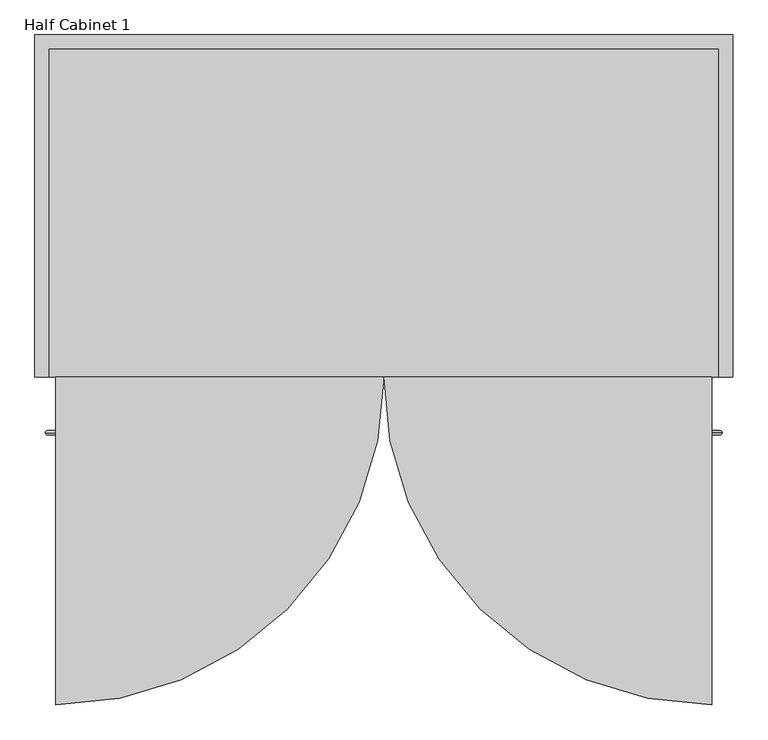
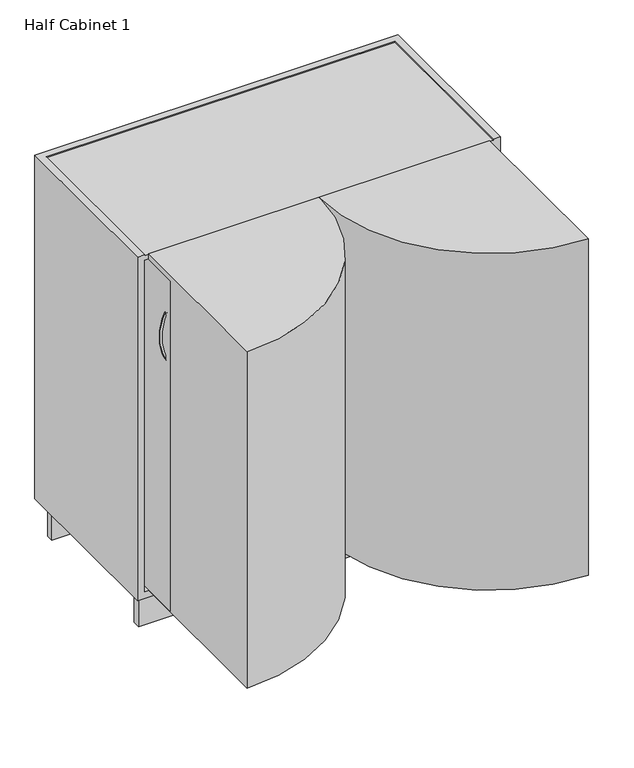
"""IFC4 building model written with IfcOpenShell, lengths in millimetres: furniture geometry, Half Cabinet 1."""

from ifc_helpers import new_model, si_unit, point, frame, frame_2d, origin, place, context, project, spatial, polyline, circle_curve, ellipse_curve, trimmed, segment, composite_curve, outline, extrude, faceted_brep, source, transform, mapped, element, save
from ifc_brep_helpers import plane_surface, revolved_surface, advanced_brep


def half_cabinet_1_f4ea37a7(model_context):
    return source(origin(), model_context, "Body", "SolidModel", [
        advanced_brep(
        [(463.9190238, -273.6958795, 828.1481519), (458.7228713, -273.6958795, 831.1481519), (463.9190238, -273.6958795, 992.6642581), (458.7228713, -273.6958795, 989.6642581)],
        [
            (0, 1, circle_curve(frame((461.3209475, -273.6958795, 829.6481519), z_axis=(-0.4999999999999887, 0.0, -0.8660254037844453), x_axis=(-0.8660254037844453, 0.0, 0.4999999999999887)), 3.0)),
            (1, 0, circle_curve(frame((461.3209475, -273.6958795, 829.6481519), z_axis=(-0.4999999999999887, 0.0, -0.8660254037844453), x_axis=(-0.8660254037844453, 0.0, 0.4999999999999887)), 3.0)),
            (2, 3, circle_curve(frame((461.3209475, -273.6958795, 991.1642581), z_axis=(-0.5000000000000103, 0.0, 0.8660254037844328), x_axis=(-0.8660254037844328, 0.0, -0.5000000000000103)), 3.0)),
            (3, 2, circle_curve(frame((461.3209475, -273.6958795, 991.1642581), z_axis=(-0.5000000000000103, 0.0, 0.8660254037844328), x_axis=(-0.8660254037844328, 0.0, -0.5000000000000103)), 3.0)),
            (3, 1, circle_curve(frame((321.4438964, -273.6958795, 910.406205), z_axis=(0.0, 1.0, 0.0), x_axis=(0.8660254037844453, 0.0, -0.4999999999999887)), 158.5161063)),
            (0, 2, circle_curve(frame((321.4438964, -273.6958795, 910.406205), z_axis=(0.0, -1.0, 0.0), x_axis=(0.8660254037844453, 0.0, -0.4999999999999887)), 164.5161063)),
        ],
        [
            plane_surface(frame((461.3209475, -298.6958795, 829.6481519), z_axis=(-0.4999999999999887, 0.0, -0.8660254037844453), x_axis=(0.0, -1.0, 0.0))),
            plane_surface(frame((461.3209475, -298.6958795, 991.1642581), z_axis=(-0.5000000000000103, 0.0, 0.8660254037844328), x_axis=(0.0, -1.0, 0.0))),
            revolved_surface(trimmed(ellipse_curve(frame((461.3209475, -273.6958795, 829.6481519), z_axis=(-0.4999999999999887, 0.0, -0.8660254037844453), x_axis=(-0.8660254037844453, 0.0, 0.4999999999999887)), 3.0, 3.0), [point((463.9190238, -273.6958795, 828.1481519))], [point((458.7228713, -273.6958795, 831.1481519))], True, "CARTESIAN"), (321.4438964, -298.6958795, 910.406205), (0.0, -1.0, 0.0)),
            revolved_surface(trimmed(ellipse_curve(frame((461.3209475, -273.6958795, 829.6481519), z_axis=(-0.4999999999999887, 0.0, -0.8660254037844453), x_axis=(-0.8660254037844453, 0.0, 0.4999999999999887)), 3.0, 3.0), [point((458.7228713, -273.6958795, 831.1481519))], [point((463.9190238, -273.6958795, 828.1481519))], True, "CARTESIAN"), (321.4438964, -298.6958795, 910.406205), (0.0, -1.0, 0.0)),
        ],
        [
            (0, [[1, 2]]),
            (1, [[3, 4]]),
            (2, [[5, -1, 6, -4]]),
            (3, [[-6, -2, -5, -3]]),
        ],
    ),
        advanced_brep(
        [(-458.7228713, -273.6958795, 831.1481519), (-463.9190238, -273.6958795, 828.1481519), (-458.7228713, -273.6958795, 989.6642581), (-463.9190238, -273.6958795, 992.6642581)],
        [
            (0, 1, circle_curve(frame((-461.3209475, -273.6958795, 829.6481519), z_axis=(0.4999999999999887, 0.0, -0.8660254037844453), x_axis=(-0.8660254037844453, 0.0, -0.4999999999999887)), 3.0)),
            (1, 0, circle_curve(frame((-461.3209475, -273.6958795, 829.6481519), z_axis=(0.4999999999999887, 0.0, -0.8660254037844453), x_axis=(-0.8660254037844453, 0.0, -0.4999999999999887)), 3.0)),
            (2, 3, circle_curve(frame((-461.3209475, -273.6958795, 991.1642581), z_axis=(0.5000000000000103, 0.0, 0.8660254037844328), x_axis=(-0.8660254037844328, 0.0, 0.5000000000000103)), 3.0)),
            (3, 2, circle_curve(frame((-461.3209475, -273.6958795, 991.1642581), z_axis=(0.5000000000000103, 0.0, 0.8660254037844328), x_axis=(-0.8660254037844328, 0.0, 0.5000000000000103)), 3.0)),
            (2, 0, circle_curve(frame((-321.4438964, -273.6958795, 910.406205), z_axis=(0.0, -1.0, 0.0), x_axis=(-0.8660254037844453, 0.0, -0.4999999999999887)), 158.5161063)),
            (1, 3, circle_curve(frame((-321.4438964, -273.6958795, 910.406205), z_axis=(0.0, 1.0, 0.0), x_axis=(-0.8660254037844453, 0.0, -0.4999999999999887)), 164.5161063)),
        ],
        [
            plane_surface(frame((-461.3209475, -298.6958795, 829.6481519), z_axis=(0.4999999999999887, 0.0, -0.8660254037844453), x_axis=(0.0, -1.0, 0.0))),
            plane_surface(frame((-461.3209475, -298.6958795, 991.1642581), z_axis=(0.5000000000000103, 0.0, 0.8660254037844328), x_axis=(0.0, -1.0, 0.0))),
            revolved_surface(trimmed(ellipse_curve(frame((-461.3209475, -273.6958795, 829.6481519), z_axis=(0.4999999999999887, 0.0, -0.8660254037844453), x_axis=(-0.8660254037844453, 0.0, -0.4999999999999887)), 3.0, 3.0), [point((-463.9190238, -273.6958795, 828.1481519))], [point((-458.7228713, -273.6958795, 831.1481519))], True, "CARTESIAN"), (-321.4438964, -298.6958795, 910.406205), (0.0, 1.0, 0.0)),
            revolved_surface(trimmed(ellipse_curve(frame((-461.3209475, -273.6958795, 829.6481519), z_axis=(0.4999999999999887, 0.0, -0.8660254037844453), x_axis=(-0.8660254037844453, 0.0, -0.4999999999999887)), 3.0, 3.0), [point((-458.7228713, -273.6958795, 831.1481519))], [point((-463.9190238, -273.6958795, 828.1481519))], True, "CARTESIAN"), (-321.4438964, -298.6958795, 910.406205), (0.0, 1.0, 0.0)),
        ],
        [
            (0, [[1, 2]]),
            (1, [[3, 4]]),
            (2, [[5, -2, 6, -3]]),
            (3, [[-6, -1, -5, -4]]),
        ],
    ),
        extrude(outline(polyline([(-451.0, -296.5), (-470.0, -296.5), (-470.0, 276.5), (-451.0, 276.5), (-451.0, -296.5)])), frame((0.0, 0.0, 122.0), z_axis=(0.0, 0.0, 1.0), x_axis=(1.0, 0.0, 0.0)), (0.0, 0.0, 1.0), 960.0),
        extrude(outline(polyline([(470.0, -296.5), (451.0, -296.5), (451.0, 276.5), (470.0, 276.5), (470.0, -296.5)])), frame((0.0, 0.0, 122.0), z_axis=(0.0, 0.0, 1.0), x_axis=(1.0, 0.0, 0.0)), (0.0, 0.0, 1.0), 960.0),
        faceted_brep([(500.0, 296.5, 1100.0), (-500.0, 296.5, 1100.0), (-500.0, -193.5, 1100.0), (-480.0, -193.5, 1100.0), (-480.0, 276.5, 1100.0), (480.0, 276.5, 1100.0), (480.0, -193.5, 1100.0), (500.0, -193.5, 1100.0), (500.0, 296.5, 100.0), (500.0, -193.5, 100.0), (-500.0, -193.5, 100.0), (-500.0, 296.5, 100.0), (-480.0, -163.5, 100.0), (480.0, -163.5, 100.0), (480.0, -143.5, 100.0), (-480.0, -143.5, 100.0), (-480.0, 250.5, 100.0), (480.0, 250.5, 100.0), (480.0, 270.5, 100.0), (-480.0, 270.5, 100.0), (480.0, -193.5, 1097.5), (-480.0, -193.5, 1097.5), (-480.0, -193.5, 120.0), (-480.0, -193.5, 1084.0), (-440.0, -193.5, 1084.0), (-440.0, -193.5, 120.0), (440.0, -193.5, 1084.0), (480.0, -193.5, 1084.0), (480.0, -193.5, 120.0), (440.0, -193.5, 120.0), (-420.0, -193.5, 120.0), (-420.0, -193.5, 1084.0), (420.0, -193.5, 1084.0), (420.0, -193.5, 120.0), (-480.0, 276.5, 1084.0), (-480.0, 276.5, 120.0), (-440.0, 276.5, 120.0), (-440.0, 276.5, 1084.0), (480.0, 276.5, 1084.0), (440.0, 276.5, 1084.0), (440.0, 276.5, 120.0), (480.0, 276.5, 120.0), (-420.0, 276.5, 120.0), (420.0, 276.5, 120.0), (420.0, 276.5, 334.5), (-420.0, 276.5, 334.5), (420.0, 276.5, 1084.0), (-420.0, 276.5, 1084.0), (-420.0, 276.5, 832.5), (420.0, 276.5, 832.5), (-420.0, 276.5, 814.5), (-420.0, 276.5, 576.5), (420.0, 276.5, 576.5), (420.0, 276.5, 814.5), (-420.0, 276.5, 558.5), (-420.0, 276.5, 352.5), (420.0, 276.5, 352.5), (420.0, 276.5, 558.5), (-420.0, -183.5, 334.5), (-420.0, -183.5, 352.5), (-420.0, -183.5, 558.5), (-420.0, -183.5, 576.5), (-420.0, -183.5, 814.5), (-420.0, -183.5, 832.5), (420.0, -183.5, 832.5), (420.0, -183.5, 814.5), (420.0, -183.5, 576.5), (420.0, -183.5, 558.5), (420.0, -183.5, 352.5), (420.0, -183.5, 334.5), (-480.0, -163.5, 0.0), (-480.0, -143.5, 0.0), (480.0, -143.5, 0.0), (480.0, -163.5, 0.0), (-480.0, 250.5, 0.0), (-480.0, 270.5, 0.0), (480.0, 270.5, 0.0), (480.0, 250.5, 0.0), (-480.0, 276.5, 1097.5), (480.0, 276.5, 1097.5)], [[[0, 1, 2, 3, 4, 5, 6, 7]], [[8, 9, 10, 11], [12, 13, 14, 15], [16, 17, 18, 19]], [[1, 0, 8, 11]], [[2, 1, 11, 10]], [[10, 9, 7, 6, 20, 21, 3, 2], [22, 23, 24, 25], [26, 27, 28, 29], [30, 31, 32, 33]], [[0, 7, 9, 8]], [[34, 35, 36, 37]], [[38, 39, 40, 41]], [[35, 34, 23, 22]], [[36, 35, 22, 25]], [[37, 36, 25, 24]], [[42, 43, 44, 45]], [[46, 47, 48, 49]], [[50, 51, 52, 53]], [[54, 55, 56, 57]], [[30, 42, 45, 58, 59, 55, 54, 60, 61, 51, 50, 62, 63, 48, 47, 31]], [[43, 42, 30, 33]], [[43, 33, 32, 46, 49, 64, 65, 53, 52, 66, 67, 57, 56, 68, 69, 44]], [[47, 46, 32, 31]], [[34, 37, 24, 23]], [[39, 38, 27, 26]], [[40, 39, 26, 29]], [[41, 40, 29, 28]], [[38, 41, 28, 27]], [[65, 62, 50, 53]], [[63, 64, 49, 48]], [[61, 66, 52, 51]], [[67, 60, 54, 57]], [[69, 58, 45, 44]], [[59, 68, 56, 55]], [[70, 71, 72, 73]], [[74, 75, 76, 77]], [[70, 73, 13, 12]], [[73, 72, 14, 13]], [[72, 71, 15, 14]], [[71, 70, 12, 15]], [[74, 77, 17, 16]], [[77, 76, 18, 17]], [[76, 75, 19, 18]], [[75, 74, 16, 19]], [[78, 79, 5, 4]], [[21, 78, 4, 3]], [[79, 78, 21, 20]], [[79, 20, 6, 5]], [[64, 63, 62, 65]], [[66, 61, 60, 67]], [[68, 59, 58, 69]]]),
        extrude(outline(composite_curve([segment(polyline([(0.0, -193.5), (470.0, -193.5), (470.0, -663.5)]), True, "CONTINUOUS"), segment(trimmed(circle_curve(frame_2d((470.0, -193.5)), 470.0), [point((470.0, -663.5))], [point((0.0, -193.5))], False, "CARTESIAN"), True, "CONTINUOUS")], self_intersect=False)), frame((0.0, 0.0, 120.0), z_axis=(0.0, 0.0, 1.0), x_axis=(1.0, 0.0, 0.0)), (0.0, 0.0, 1.0), 980.0),
        extrude(outline(composite_curve([segment(trimmed(circle_curve(frame_2d((-470.0, -193.5)), 470.0), [point((0.0, -193.5))], [point((-470.0, -663.5))], False, "CARTESIAN"), True, "CONTINUOUS"), segment(polyline([(-470.0, -663.5), (-470.0, -193.5), (0.0, -193.5)]), True, "CONTINUOUS")], self_intersect=False)), frame((0.0, 0.0, 120.0), z_axis=(0.0, 0.0, 1.0), x_axis=(1.0, 0.0, 0.0)), (0.0, 0.0, 1.0), 980.0),
    ])


if __name__ == "__main__":
    model = new_model("IFC4")
    model_context = context("Model", 3, world=origin())
    ifc_project = project(units=[si_unit("LENGTHUNIT", "METRE", prefix="MILLI")], contexts=[model_context])
    site = spatial("IfcSite", under=ifc_project)
    building = spatial("IfcBuilding", under=site)
    placement = place(None, origin())
    half_cabinet_1_shape = half_cabinet_1_f4ea37a7(model_context)
    element("IfcFurniture", 1, ObjectType="Half Cabinet 1", at=placement, inside=building, context=model_context, shape_type="MappedRepresentation", body=[
        mapped(half_cabinet_1_shape, transform((0.0, 0.0, 0.0), x_axis=(1.0, 0.0, 0.0), y_axis=(0.0, 1.0, 0.0), z_axis=(0.0, 0.0, 1.0))),
    ])
    save(model, "model.ifc")
